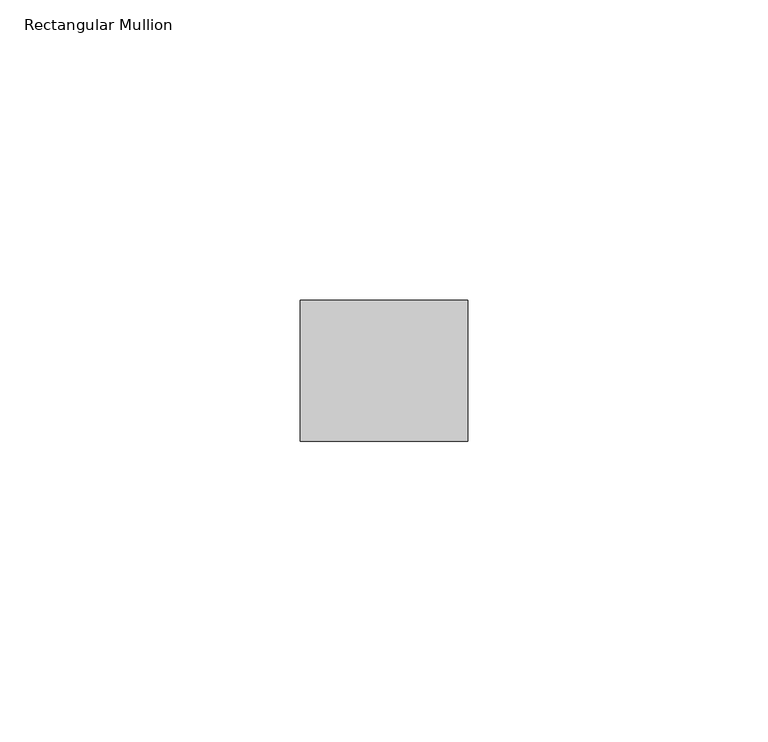
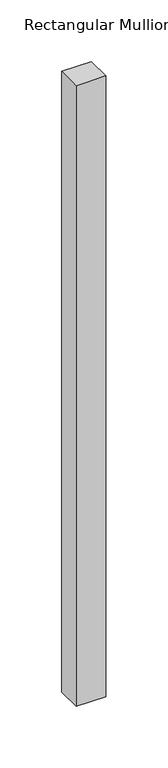
"""IFC4 building model written with IfcOpenShell, lengths in millimetres: member geometry, Rectangular Mullion."""

from ifc_helpers import new_model, si_unit, frame, origin, place, context, project, spatial, polyline, outline, extrude, source, transform, mapped, element, save


def rectangular_mullion_e5df0ffb(model_context):
    return source(origin(), model_context, "Body", "SweptSolid", [
        extrude(outline(polyline([(0.0, -11.7474999), (-27.94, -11.7474999), (-27.94, 11.7474999), (0.0, 11.7474999), (0.0, -11.7474999)])), frame((0.0, 0.0, -614.68), z_axis=(0.0, 0.0, 1.0), x_axis=(1.0, 0.0, 0.0)), (0.0, 0.0, 1.0), 614.68),
    ])


if __name__ == "__main__":
    model = new_model("IFC4")
    model_context = context("Model", 3, world=origin())
    ifc_project = project(units=[si_unit("LENGTHUNIT", "METRE", prefix="MILLI")], contexts=[model_context])
    site = spatial("IfcSite", under=ifc_project)
    building = spatial("IfcBuilding", under=site)
    placement = place(None, origin())
    rectangular_mullion_shape = rectangular_mullion_e5df0ffb(model_context)
    element("IfcMember", 1, ObjectType="Rectangular Mullion", at=placement, inside=building, context=model_context, shape_type="MappedRepresentation", body=[
        mapped(rectangular_mullion_shape, transform((0.0, 0.0, 0.0), x_axis=(1.0, 0.0, 0.0), y_axis=(0.0, 1.0, 0.0), z_axis=(0.0, 0.0, 1.0))),
    ])
    save(model, "model.ifc")
